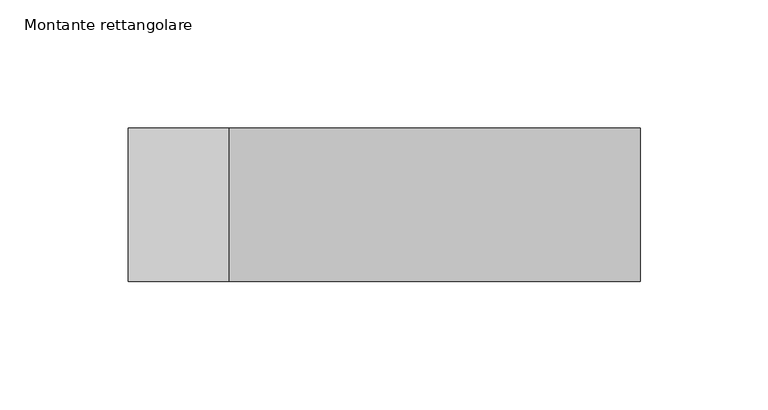
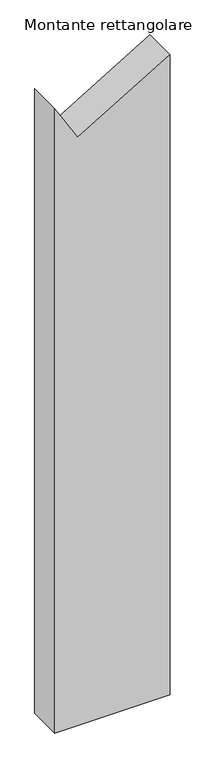
"""IFC4 building model written with IfcOpenShell, lengths in millimetres: member geometry, Montante rettangolare."""

from ifc_helpers import new_model, si_unit, frame, origin, place, context, project, spatial, polyline, outline, extrude, source, transform, mapped, element, save


def montante_rettangolare_194d8965(model_context):
    return source(origin(), model_context, "Body", "SweptSolid", [
        extrude(outline(polyline([(51.3140565, 100.0), (-44.0996292, -60.3759868), (22.502349, -100.0), (-1121.7389893, -100.0), (-1121.7389893, 100.0), (51.3140565, 100.0)])), frame((0.0, -30.0, 0.0), z_axis=(0.0, 1.0, 0.0), x_axis=(0.0, 0.0, 1.0)), (0.0, 0.0, 1.0), 60.0),
    ])


if __name__ == "__main__":
    model = new_model("IFC4")
    model_context = context("Model", 3, world=origin())
    ifc_project = project(units=[si_unit("LENGTHUNIT", "METRE", prefix="MILLI")], contexts=[model_context])
    site = spatial("IfcSite", under=ifc_project)
    building = spatial("IfcBuilding", under=site)
    placement = place(None, origin())
    montante_rettangolare_shape = montante_rettangolare_194d8965(model_context)
    element("IfcMember", 1, ObjectType="Montante rettangolare", at=placement, inside=building, context=model_context, shape_type="MappedRepresentation", body=[
        mapped(montante_rettangolare_shape, transform((0.0, 0.0, 0.0), x_axis=(1.0, 0.0, 0.0), y_axis=(0.0, 1.0, 0.0), z_axis=(0.0, 0.0, 1.0))),
    ])
    save(model, "model.ifc")
